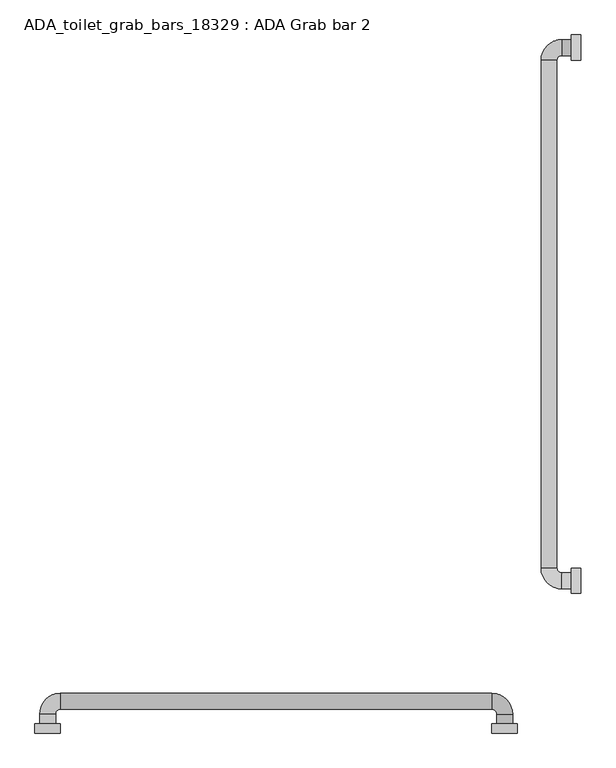
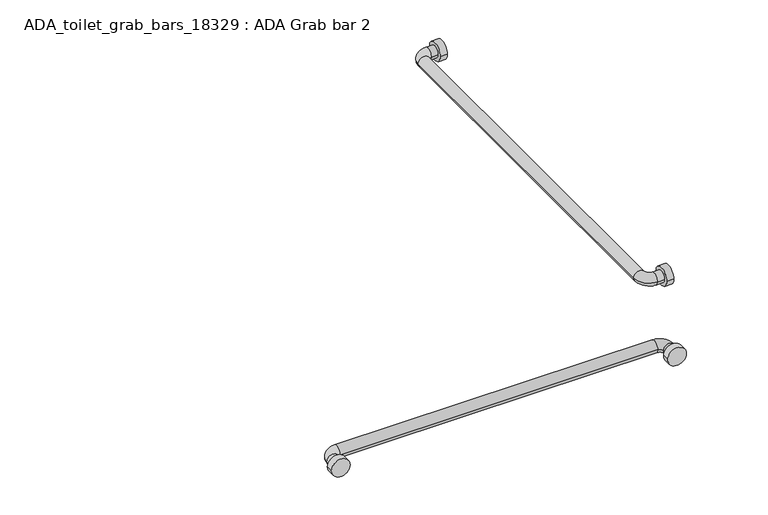
"""IFC4 building model written with IfcOpenShell, lengths in millimetres: proxy geometry, ADA_toilet_grab_bars_18329 : ADA Grab bar 2."""

from ifc_helpers import new_model, si_unit, point, frame, frame_2d, origin, place, context, project, spatial, circle_curve, ellipse_curve, trimmed, segment, composite_curve, outline, extrude, source, transform, mapped, element, save
from ifc_brep_helpers import plane_surface, cylinder_surface, revolved_surface, advanced_brep


def ada_toilet_grab_bars_18329_ada_grab_bar_2_69cb2643(model_context):
    return source(origin(), model_context, "Body", "SolidModel", [
        extrude(outline(composite_curve([segment(trimmed(circle_curve(frame_2d((863.6, -152.4)), 25.4), [point((863.6, -177.8))], [point((863.6, -127.0))], False, "CARTESIAN"), True, "CONTINUOUS"), segment(trimmed(circle_curve(frame_2d((863.6, -152.4)), 25.4), [point((863.6, -127.0))], [point((863.6, -177.8))], False, "CARTESIAN"), True, "CONTINUOUS")], self_intersect=False)), frame((0.0, 0.0, 0.0), z_axis=(0.0, 1.0, 0.0), x_axis=(0.0, 0.0, 1.0)), (0.0, 0.0, 1.0), 19.05),
        extrude(outline(composite_curve([segment(trimmed(circle_curve(frame_2d((863.6, -1066.8)), 25.4), [point((863.6, -1092.2))], [point((863.6, -1041.4))], False, "CARTESIAN"), True, "CONTINUOUS"), segment(trimmed(circle_curve(frame_2d((863.6, -1066.8)), 25.4), [point((863.6, -1041.4))], [point((863.6, -1092.2))], False, "CARTESIAN"), True, "CONTINUOUS")], self_intersect=False)), frame((0.0, 0.0, 0.0), z_axis=(0.0, 1.0, 0.0), x_axis=(0.0, 0.0, 1.0)), (0.0, 0.0, 1.0), 19.05),
        advanced_brep(
        [(-1050.925, 19.05, 863.6), (-1082.675, 19.05, 863.6), (-1050.925, 38.1, 863.6), (-1082.675, 38.1, 863.6), (-1041.4, 79.375, 863.6), (-1041.4, 47.625, 863.6), (-177.8, 47.625, 863.6), (-177.8, 79.375, 863.6), (-136.525, 38.1, 863.6), (-168.275, 38.1, 863.6), (-168.275, 19.05, 863.6), (-136.525, 19.05, 863.6)],
        [
            (0, 1, circle_curve(frame((-1066.8, 19.05, 863.6), z_axis=(0.0, -1.0, 0.0), x_axis=(-1.0, 0.0, 0.0)), 15.875)),
            (1, 0, circle_curve(frame((-1066.8, 19.05, 863.6), z_axis=(0.0, -1.0, 0.0), x_axis=(-1.0, 0.0, 0.0)), 15.875)),
            (0, 2),
            (2, 3, circle_curve(frame((-1066.8, 38.1, 863.6), z_axis=(0.0, -1.0, 0.0), x_axis=(-1.0, 0.0, 0.0)), 15.875)),
            (3, 1),
            (3, 2, circle_curve(frame((-1066.8, 38.1, 863.6), z_axis=(0.0, -1.0, 0.0), x_axis=(-1.0, 0.0, 0.0)), 15.875)),
            (4, 3, circle_curve(frame((-1041.4, 38.1, 863.6), z_axis=(0.0, 0.0, 1.0), x_axis=(-1.0, 0.0, 0.0)), 41.275)),
            (2, 5, circle_curve(frame((-1041.4, 38.1, 863.6), z_axis=(0.0, 0.0, -1.0), x_axis=(-1.0, 0.0, 0.0)), 9.525)),
            (5, 4, circle_curve(frame((-1041.4, 63.5, 863.6), z_axis=(-1.0, 0.0, 0.0), x_axis=(0.0, 1.0, 0.0)), 15.875)),
            (4, 5, circle_curve(frame((-1041.4, 63.5, 863.6), z_axis=(-1.0, 0.0, 0.0), x_axis=(0.0, 1.0, 0.0)), 15.875)),
            (5, 6),
            (6, 7, circle_curve(frame((-177.8, 63.5, 863.6), z_axis=(-1.0, 0.0, 0.0), x_axis=(0.0, 1.0, 0.0)), 15.875)),
            (7, 4),
            (7, 6, circle_curve(frame((-177.8, 63.5, 863.6), z_axis=(-1.0, 0.0, 0.0), x_axis=(0.0, 1.0, 0.0)), 15.875)),
            (8, 7, circle_curve(frame((-177.8, 38.1, 863.6), z_axis=(0.0, 0.0, 1.0), x_axis=(0.0, 1.0, 0.0)), 41.275)),
            (6, 9, circle_curve(frame((-177.8, 38.1, 863.6), z_axis=(0.0, 0.0, -1.0), x_axis=(0.0, 1.0, 0.0)), 9.525)),
            (9, 8, circle_curve(frame((-152.4, 38.1, 863.6), z_axis=(0.0, 1.0, 0.0), x_axis=(1.0, 0.0, 0.0)), 15.875)),
            (8, 9, circle_curve(frame((-152.4, 38.1, 863.6), z_axis=(0.0, 1.0, 0.0), x_axis=(1.0, 0.0, 0.0)), 15.875)),
            (10, 11, circle_curve(frame((-152.4, 19.05, 863.6), z_axis=(0.0, -1.0, 0.0), x_axis=(1.0, 0.0, 0.0)), 15.875)),
            (11, 10, circle_curve(frame((-152.4, 19.05, 863.6), z_axis=(0.0, -1.0, 0.0), x_axis=(1.0, 0.0, 0.0)), 15.875)),
            (9, 10),
            (11, 8),
        ],
        [
            plane_surface(frame((-1946.275, 19.05, 0.0), z_axis=(0.0, -1.0, 0.0), x_axis=(0.0, 0.0, 1.0))),
            cylinder_surface(frame((-1066.8, 19.05, 863.6), z_axis=(0.0, -1.0, 0.0), x_axis=(-1.0, 0.0, 0.0)), 15.875),
            revolved_surface(trimmed(ellipse_curve(frame((-1066.8, 38.1, 863.6), z_axis=(0.0, -1.0, 0.0), x_axis=(-1.0, 0.0, 0.0)), 15.875, 15.875), [point((-1050.925, 38.1, 863.6))], [point((-1082.675, 38.1, 863.6))], True, "CARTESIAN"), (-1041.4, 38.1, 0.0), (0.0, 0.0, -1.0)),
            revolved_surface(trimmed(ellipse_curve(frame((-1066.8, 38.1, 863.6), z_axis=(0.0, -1.0, 0.0), x_axis=(-1.0, 0.0, 0.0)), 15.875, 15.875), [point((-1082.675, 38.1, 863.6))], [point((-1050.925, 38.1, 863.6))], True, "CARTESIAN"), (-1041.4, 38.1, 0.0), (0.0, 0.0, -1.0)),
            cylinder_surface(frame((-1041.4, 63.5, 863.6), z_axis=(-1.0, 0.0, 0.0), x_axis=(0.0, 1.0, 0.0)), 15.875),
            revolved_surface(trimmed(ellipse_curve(frame((-177.8, 63.5, 863.6), z_axis=(-1.0, 0.0, 0.0), x_axis=(0.0, 1.0, 0.0)), 15.875, 15.875), [point((-177.8, 47.625, 863.6))], [point((-177.8, 79.375, 863.6))], True, "CARTESIAN"), (-177.8, 38.1, 0.0), (0.0, 0.0, -1.0)),
            revolved_surface(trimmed(ellipse_curve(frame((-177.8, 63.5, 863.6), z_axis=(-1.0, 0.0, 0.0), x_axis=(0.0, 1.0, 0.0)), 15.875, 15.875), [point((-177.8, 79.375, 863.6))], [point((-177.8, 47.625, 863.6))], True, "CARTESIAN"), (-177.8, 38.1, 0.0), (0.0, 0.0, -1.0)),
            plane_surface(frame((-1031.875, 19.05, 0.0), z_axis=(0.0, -1.0, 0.0), x_axis=(0.0, 0.0, -1.0))),
            cylinder_surface(frame((-152.4, 38.1, 863.6), z_axis=(0.0, 1.0, 0.0), x_axis=(1.0, 0.0, 0.0)), 15.875),
        ],
        [
            (0, [[1, 2]]),
            (1, [[-1, 3, 4, 5]]),
            (1, [[-2, -5, 6, -3]]),
            (2, [[7, -4, 8, 9]]),
            (3, [[-8, -6, -7, 10]]),
            (4, [[-9, 11, 12, 13]]),
            (4, [[-10, -13, 14, -11]]),
            (5, [[15, -12, 16, 17]]),
            (6, [[-16, -14, -15, 18]]),
            (7, [[19, 20]]),
            (8, [[-17, 21, -20, 22]]),
            (8, [[-18, -22, -19, -21]]),
        ],
    ),
        extrude(outline(composite_curve([segment(trimmed(circle_curve(frame_2d((1371.6, 863.6)), 25.4), [point((1346.2, 863.6))], [point((1397.0, 863.6))], False, "CARTESIAN"), True, "CONTINUOUS"), segment(trimmed(circle_curve(frame_2d((1371.6, 863.6)), 25.4), [point((1397.0, 863.6))], [point((1346.2, 863.6))], False, "CARTESIAN"), True, "CONTINUOUS")], self_intersect=False)), frame((-19.05, 0.0, 0.0), z_axis=(1.0, 0.0, 0.0), x_axis=(0.0, 1.0, 0.0)), (0.0, 0.0, 1.0), 19.05),
        extrude(outline(composite_curve([segment(trimmed(circle_curve(frame_2d((304.8, 863.6)), 25.4), [point((279.4, 863.6))], [point((330.2, 863.6))], False, "CARTESIAN"), True, "CONTINUOUS"), segment(trimmed(circle_curve(frame_2d((304.8, 863.6)), 25.4), [point((330.2, 863.6))], [point((279.4, 863.6))], False, "CARTESIAN"), True, "CONTINUOUS")], self_intersect=False)), frame((-19.05, 0.0, 0.0), z_axis=(1.0, 0.0, 0.0), x_axis=(0.0, 1.0, 0.0)), (0.0, 0.0, 1.0), 19.05),
        advanced_brep(
        [(-19.05, 320.675, 863.6), (-19.05, 288.925, 863.6), (-38.1, 320.675, 863.6), (-38.1, 288.925, 863.6), (-79.375, 330.2, 863.6), (-47.625, 330.2, 863.6), (-47.625, 1346.2, 863.6), (-79.375, 1346.2, 863.6), (-38.1, 1387.475, 863.6), (-38.1, 1355.725, 863.6), (-19.05, 1355.725, 863.6), (-19.05, 1387.475, 863.6)],
        [
            (0, 1, circle_curve(frame((-19.05, 304.8, 863.6), z_axis=(1.0, 0.0, 0.0), x_axis=(0.0, -1.0, 0.0)), 15.875)),
            (1, 0, circle_curve(frame((-19.05, 304.8, 863.6), z_axis=(1.0, 0.0, 0.0), x_axis=(0.0, -1.0, 0.0)), 15.875)),
            (0, 2),
            (2, 3, circle_curve(frame((-38.1, 304.8, 863.6), z_axis=(1.0, 0.0, 0.0), x_axis=(0.0, -1.0, 0.0)), 15.875)),
            (3, 1),
            (3, 2, circle_curve(frame((-38.1, 304.8, 863.6), z_axis=(1.0, 0.0, 0.0), x_axis=(0.0, -1.0, 0.0)), 15.875)),
            (4, 3, circle_curve(frame((-38.1, 330.2, 863.6), z_axis=(0.0, 0.0, 1.0), x_axis=(0.0, -1.0, 0.0)), 41.275)),
            (2, 5, circle_curve(frame((-38.1, 330.2, 863.6), z_axis=(0.0, 0.0, -1.0), x_axis=(0.0, -1.0, 0.0)), 9.525)),
            (5, 4, circle_curve(frame((-63.5, 330.2, 863.6), z_axis=(0.0, -1.0, 0.0), x_axis=(-1.0, 0.0, 0.0)), 15.875)),
            (4, 5, circle_curve(frame((-63.5, 330.2, 863.6), z_axis=(0.0, -1.0, 0.0), x_axis=(-1.0, 0.0, 0.0)), 15.875)),
            (5, 6),
            (6, 7, circle_curve(frame((-63.5, 1346.2, 863.6), z_axis=(0.0, -1.0, 0.0), x_axis=(-1.0, 0.0, 0.0)), 15.875)),
            (7, 4),
            (7, 6, circle_curve(frame((-63.5, 1346.2, 863.6), z_axis=(0.0, -1.0, 0.0), x_axis=(-1.0, 0.0, 0.0)), 15.875)),
            (8, 7, circle_curve(frame((-38.1, 1346.2, 863.6), z_axis=(0.0, 0.0, 1.0), x_axis=(-1.0, 0.0, 0.0)), 41.275)),
            (6, 9, circle_curve(frame((-38.1, 1346.2, 863.6), z_axis=(0.0, 0.0, -1.0), x_axis=(-1.0, 0.0, 0.0)), 9.525)),
            (9, 8, circle_curve(frame((-38.1, 1371.6, 863.6), z_axis=(-1.0, 0.0, 0.0), x_axis=(0.0, 1.0, 0.0)), 15.875)),
            (8, 9, circle_curve(frame((-38.1, 1371.6, 863.6), z_axis=(-1.0, 0.0, 0.0), x_axis=(0.0, 1.0, 0.0)), 15.875)),
            (10, 11, circle_curve(frame((-19.05, 1371.6, 863.6), z_axis=(1.0, 0.0, 0.0), x_axis=(0.0, 1.0, 0.0)), 15.875)),
            (11, 10, circle_curve(frame((-19.05, 1371.6, 863.6), z_axis=(1.0, 0.0, 0.0), x_axis=(0.0, 1.0, 0.0)), 15.875)),
            (9, 10),
            (11, 8),
        ],
        [
            plane_surface(frame((-19.05, 304.8, -879.475), z_axis=(1.0, 0.0, 0.0), x_axis=(0.0, -1.0, 0.0))),
            cylinder_surface(frame((-19.05, 304.8, 863.6), z_axis=(1.0, 0.0, 0.0), x_axis=(0.0, -1.0, 0.0)), 15.875),
            revolved_surface(trimmed(ellipse_curve(frame((-38.1, 304.8, 863.6), z_axis=(1.0, 0.0, 0.0), x_axis=(0.0, -1.0, 0.0)), 15.875, 15.875), [point((-38.1, 320.675, 863.6))], [point((-38.1, 288.925, 863.6))], True, "CARTESIAN"), (-38.1, 330.2, 0.0), (0.0, 0.0, -1.0)),
            revolved_surface(trimmed(ellipse_curve(frame((-38.1, 304.8, 863.6), z_axis=(1.0, 0.0, 0.0), x_axis=(0.0, -1.0, 0.0)), 15.875, 15.875), [point((-38.1, 288.925, 863.6))], [point((-38.1, 320.675, 863.6))], True, "CARTESIAN"), (-38.1, 330.2, 0.0), (0.0, 0.0, -1.0)),
            cylinder_surface(frame((-63.5, 330.2, 863.6), z_axis=(0.0, -1.0, 0.0), x_axis=(-1.0, 0.0, 0.0)), 15.875),
            revolved_surface(trimmed(ellipse_curve(frame((-63.5, 1346.2, 863.6), z_axis=(0.0, -1.0, 0.0), x_axis=(-1.0, 0.0, 0.0)), 15.875, 15.875), [point((-47.625, 1346.2, 863.6))], [point((-79.375, 1346.2, 863.6))], True, "CARTESIAN"), (-38.1, 1346.2, 0.0), (0.0, 0.0, -1.0)),
            revolved_surface(trimmed(ellipse_curve(frame((-63.5, 1346.2, 863.6), z_axis=(0.0, -1.0, 0.0), x_axis=(-1.0, 0.0, 0.0)), 15.875, 15.875), [point((-79.375, 1346.2, 863.6))], [point((-47.625, 1346.2, 863.6))], True, "CARTESIAN"), (-38.1, 1346.2, 0.0), (0.0, 0.0, -1.0)),
            plane_surface(frame((-19.05, 1371.6, -879.475), z_axis=(1.0, 0.0, 0.0), x_axis=(0.0, 1.0, 0.0))),
            cylinder_surface(frame((-38.1, 1371.6, 863.6), z_axis=(-1.0, 0.0, 0.0), x_axis=(0.0, 1.0, 0.0)), 15.875),
        ],
        [
            (0, [[1, 2]]),
            (1, [[-1, 3, 4, 5]]),
            (1, [[-2, -5, 6, -3]]),
            (2, [[7, -4, 8, 9]]),
            (3, [[-8, -6, -7, 10]]),
            (4, [[-9, 11, 12, 13]]),
            (4, [[-10, -13, 14, -11]]),
            (5, [[15, -12, 16, 17]]),
            (6, [[-16, -14, -15, 18]]),
            (7, [[19, 20]]),
            (8, [[-17, 21, -20, 22]]),
            (8, [[-18, -22, -19, -21]]),
        ],
    ),
    ])


if __name__ == "__main__":
    model = new_model("IFC4")
    model_context = context("Model", 3, world=origin())
    ifc_project = project(units=[si_unit("LENGTHUNIT", "METRE", prefix="MILLI")], contexts=[model_context])
    site = spatial("IfcSite", under=ifc_project)
    building = spatial("IfcBuilding", under=site)
    placement = place(None, origin())
    ada_toilet_grab_bars_18329_ada_grab_bar_2_shape = ada_toilet_grab_bars_18329_ada_grab_bar_2_69cb2643(model_context)
    element("IfcBuildingElementProxy", 1, Name="ADA_toilet_grab_bars_18329 : ADA Grab bar 2", ObjectType="ADA_toilet_grab_bars_18329 : ADA Grab bar 2", at=placement, inside=building, context=model_context, shape_type="MappedRepresentation", body=[
        mapped(ada_toilet_grab_bars_18329_ada_grab_bar_2_shape, transform((0.0, 0.0, 0.0), x_axis=(1.0, 0.0, 0.0), y_axis=(0.0, 1.0, 0.0), z_axis=(0.0, 0.0, 1.0))),
    ])
    save(model, "model.ifc")
